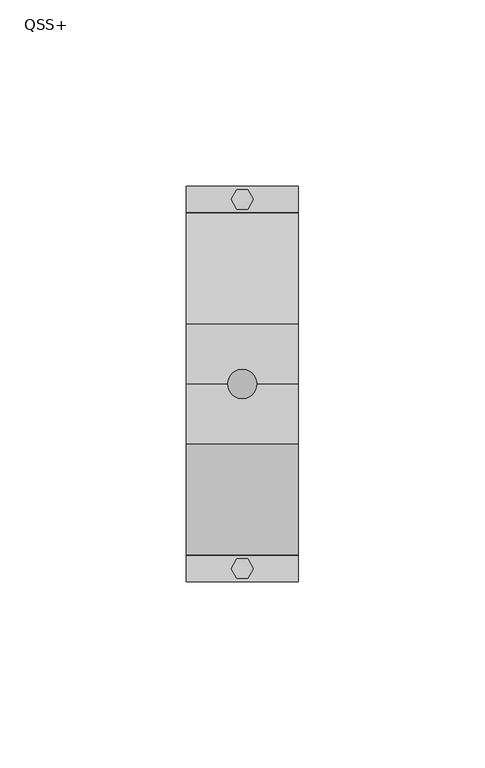
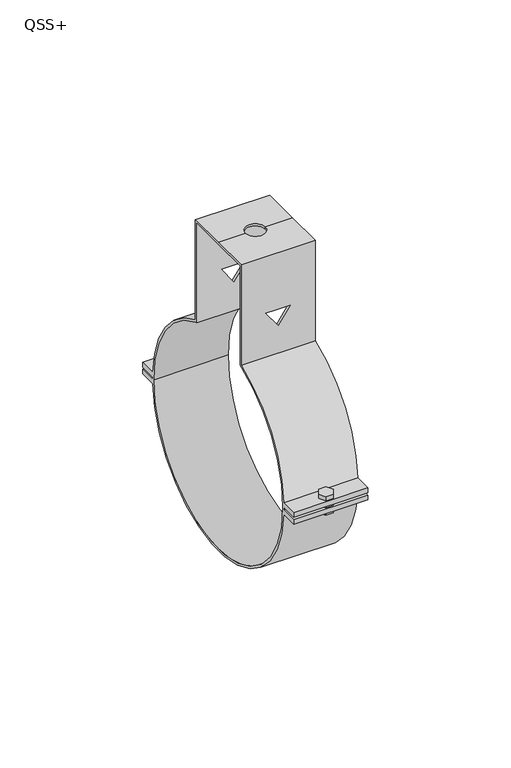
"""IFC4 building model written with IfcOpenShell, lengths in millimetres: proxy geometry, QSS+."""

from ifc_helpers import new_model, si_unit, frame, origin, place, context, project, spatial, polyline, circle_curve, outline, extrude, source, transform, mapped, element, save
from ifc_brep_helpers import plane_surface, cylinder_surface, revolved_surface, advanced_brep


def qss_73b808cd(model_context):
    return source(origin(), model_context, "Body", "SolidModel", [
        extrude(outline(polyline([(1.5, 52.0980762), (3.0, 49.5), (1.5, 46.9019238), (-1.5, 46.9019238), (-3.0, 49.5), (-1.5, 52.0980762), (1.5, 52.0980762)])), frame((0.0, 0.0, -4.0), z_axis=(0.0, 0.0, 1.0), x_axis=(1.0, 0.0, 0.0)), (0.0, 0.0, 1.0), 8.0),
        extrude(outline(polyline([(1.5, -52.0980762), (-1.5, -52.0980762), (-3.0, -49.5), (-1.5, -46.9019238), (1.5, -46.9019238), (3.0, -49.5), (1.5, -52.0980762)])), frame((0.0, 0.0, -4.0), z_axis=(0.0, 0.0, 1.0), x_axis=(1.0, 0.0, 0.0)), (0.0, 0.0, 1.0), 8.0),
        advanced_brep(
        [(-15.0, -16.0, 86.0), (-15.0, 0.0, 86.0), (-15.0, 16.0, 86.0), (-15.0, 16.0, 43.1277173), (-15.0, 45.9338138, 2.4667277), (-15.0, 53.0, 2.4667277), (-15.0, 53.0, 0.4667277), (-15.0, 45.9976322, 0.4667277), (-15.0, 46.0, 0.0), (-15.0, 45.9976322, -0.4667277), (-15.0, 53.0, -0.4667277), (-15.0, 53.0, -2.4667277), (-15.0, 45.9338138, -2.4667277), (-15.0, -45.9317678, -2.5045372), (-15.0, -53.0, -2.5045372), (-15.0, -53.0, -0.5045372), (-15.0, -45.997233, -0.5045372), (-15.0, -46.0, 0.0), (-15.0, -45.997233, 0.5045372), (-15.0, -53.0, 0.5045372), (-15.0, -53.0, 2.5045372), (-15.0, -45.9317678, 2.5045372), (-15.0, -16.0, 43.1277173), (-15.0, 14.9730976, 85.0081289), (-15.0, 0.0, 85.0081289), (-15.0, -14.9730976, 85.0081289), (-15.0, -14.9730976, 42.4359087), (-15.0, -16.0, 42.0594817), (-15.0, -45.0, 0.0), (-15.0, 45.0, 0.0), (-15.0, 16.0, 42.0594817), (-15.0, 14.9730976, 42.4359087), (15.0, 16.0, 86.0), (15.0, 0.0, 86.0), (15.0, -16.0, 86.0), (15.0, -16.0, 43.1277173), (15.0, -45.9317678, 2.5045372), (15.0, -53.0, 2.5045372), (15.0, -53.0, 0.5045372), (15.0, -45.997233, 0.5045372), (15.0, -46.0, 0.0), (15.0, -45.997233, -0.5045372), (15.0, -53.0, -0.5045372), (15.0, -53.0, -2.5045372), (15.0, -45.9317678, -2.5045372), (15.0, 45.9338138, -2.4667277), (15.0, 53.0, -2.4667277), (15.0, 53.0, -0.4667277), (15.0, 45.9976322, -0.4667277), (15.0, 46.0, 0.0), (15.0, 45.9976322, 0.4667277), (15.0, 53.0, 0.4667277), (15.0, 53.0, 2.4667277), (15.0, 45.9338138, 2.4667277), (15.0, 16.0, 43.1277173), (15.0, -14.9730976, 85.0081289), (15.0, 0.0, 85.0081289), (15.0, 14.9730976, 85.0081289), (15.0, 14.9730976, 42.4359087), (15.0, 16.0, 42.0594817), (15.0, 45.0, 0.0), (15.0, -45.0, 0.0), (15.0, -16.0, 42.0594817), (15.0, -14.9730976, 42.4359087), (-4.0, 0.0, 86.0), (4.0, 0.0, 86.0), (0.0, -16.0, 61.8826485), (4.9139468, -16.0, 61.8826485), (0.0, -16.0, 54.8648052), (-4.9139468, -16.0, 61.8826485), (4.9139468, -14.9730976, 61.8826485), (0.0, -14.9730976, 61.8826485), (-4.9139468, -14.9730976, 61.8826485), (0.0, -14.9730976, 54.8648052), (-4.0, 0.0, 85.0081289), (4.0, 0.0, 85.0081289), (0.0, 14.9730976, 61.8826485), (4.9139468, 14.9730976, 61.8826485), (0.0, 14.9730976, 54.8648052), (-4.9139468, 14.9730976, 61.8826485), (4.9139468, 16.0, 61.8826485), (0.0, 16.0, 61.8826485), (-4.9139468, 16.0, 61.8826485), (0.0, 16.0, 54.8648052)],
        [
            (0, 1),
            (1, 2),
            (2, 3),
            (3, 4, circle_curve(frame((-15.0, 0.0, 0.0), z_axis=(-1.0, 0.0, 0.0), x_axis=(0.0, 1.0, 0.0)), 46.0)),
            (4, 5),
            (5, 6),
            (6, 7),
            (7, 8, circle_curve(frame((-15.0, 0.0, 0.0), z_axis=(-1.0, 0.0, 0.0), x_axis=(0.0, 1.0, 0.0)), 46.0)),
            (8, 9, circle_curve(frame((-15.0, 0.0, 0.0), z_axis=(-1.0, 0.0, 0.0), x_axis=(0.0, 1.0, 0.0)), 46.0)),
            (9, 10),
            (10, 11),
            (11, 12),
            (12, 13, circle_curve(frame((-15.0, 0.0, 0.0), z_axis=(-1.0, 0.0, 0.0), x_axis=(0.0, 1.0, 0.0)), 46.0)),
            (13, 14),
            (14, 15),
            (15, 16),
            (16, 17, circle_curve(frame((-15.0, 0.0, 0.0), z_axis=(-1.0, 0.0, 0.0), x_axis=(0.0, 1.0, 0.0)), 46.0)),
            (17, 18, circle_curve(frame((-15.0, 0.0, 0.0), z_axis=(-1.0, 0.0, 0.0), x_axis=(0.0, 1.0, 0.0)), 46.0)),
            (18, 19),
            (19, 20),
            (20, 21),
            (21, 22, circle_curve(frame((-15.0, 0.0, 0.0), z_axis=(-1.0, 0.0, 0.0), x_axis=(0.0, 1.0, 0.0)), 46.0)),
            (22, 0),
            (23, 24),
            (24, 25),
            (25, 26),
            (26, 27, circle_curve(frame((-15.0, 0.0, 0.0), z_axis=(1.0, 0.0, 0.0), x_axis=(0.0, 1.0, 0.0)), 45.0)),
            (27, 28, circle_curve(frame((-15.0, 0.0, 0.0), z_axis=(1.0, 0.0, 0.0), x_axis=(0.0, 1.0, 0.0)), 45.0)),
            (28, 29, circle_curve(frame((-15.0, 0.0, 0.0), z_axis=(1.0, 0.0, 0.0), x_axis=(0.0, 1.0, 0.0)), 45.0)),
            (29, 30, circle_curve(frame((-15.0, 0.0, 0.0), z_axis=(1.0, 0.0, 0.0), x_axis=(0.0, 1.0, 0.0)), 45.0)),
            (30, 31, circle_curve(frame((-15.0, 0.0, 0.0), z_axis=(1.0, 0.0, 0.0), x_axis=(0.0, 1.0, 0.0)), 45.0)),
            (31, 23),
            (32, 33),
            (33, 34),
            (34, 35),
            (35, 36, circle_curve(frame((15.0, 0.0, 0.0), z_axis=(1.0, 0.0, 0.0), x_axis=(0.0, 1.0, 0.0)), 46.0)),
            (36, 37),
            (37, 38),
            (38, 39),
            (39, 40, circle_curve(frame((15.0, 0.0, 0.0), z_axis=(1.0, 0.0, 0.0), x_axis=(0.0, 1.0, 0.0)), 46.0)),
            (40, 41, circle_curve(frame((15.0, 0.0, 0.0), z_axis=(1.0, 0.0, 0.0), x_axis=(0.0, 1.0, 0.0)), 46.0)),
            (41, 42),
            (42, 43),
            (43, 44),
            (44, 45, circle_curve(frame((15.0, 0.0, 0.0), z_axis=(1.0, 0.0, 0.0), x_axis=(0.0, 1.0, 0.0)), 46.0)),
            (45, 46),
            (46, 47),
            (47, 48),
            (48, 49, circle_curve(frame((15.0, 0.0, 0.0), z_axis=(1.0, 0.0, 0.0), x_axis=(0.0, 1.0, 0.0)), 46.0)),
            (49, 50, circle_curve(frame((15.0, 0.0, 0.0), z_axis=(1.0, 0.0, 0.0), x_axis=(0.0, 1.0, 0.0)), 46.0)),
            (50, 51),
            (51, 52),
            (52, 53),
            (53, 54, circle_curve(frame((15.0, 0.0, 0.0), z_axis=(1.0, 0.0, 0.0), x_axis=(0.0, 1.0, 0.0)), 46.0)),
            (54, 32),
            (55, 56),
            (56, 57),
            (57, 58),
            (58, 59, circle_curve(frame((15.0, 0.0, 0.0), z_axis=(-1.0, 0.0, 0.0), x_axis=(0.0, 1.0, 0.0)), 45.0)),
            (59, 60, circle_curve(frame((15.0, 0.0, 0.0), z_axis=(-1.0, 0.0, 0.0), x_axis=(0.0, 1.0, 0.0)), 45.0)),
            (60, 61, circle_curve(frame((15.0, 0.0, 0.0), z_axis=(-1.0, 0.0, 0.0), x_axis=(0.0, 1.0, 0.0)), 45.0)),
            (61, 62, circle_curve(frame((15.0, 0.0, 0.0), z_axis=(-1.0, 0.0, 0.0), x_axis=(0.0, 1.0, 0.0)), 45.0)),
            (62, 63, circle_curve(frame((15.0, 0.0, 0.0), z_axis=(-1.0, 0.0, 0.0), x_axis=(0.0, 1.0, 0.0)), 45.0)),
            (63, 55),
            (1, 64),
            (64, 65, circle_curve(frame((0.0, 0.0, 86.0), z_axis=(0.0, 0.0, -1.0), x_axis=(1.0, 0.0, 0.0)), 4.0)),
            (65, 33),
            (32, 2),
            (0, 34),
            (65, 64, circle_curve(frame((0.0, 0.0, 86.0), z_axis=(0.0, 0.0, -1.0), x_axis=(1.0, 0.0, 0.0)), 4.0)),
            (22, 35),
            (66, 67),
            (67, 68),
            (68, 69),
            (69, 66),
            (25, 55),
            (63, 26),
            (70, 71),
            (71, 72),
            (72, 73),
            (73, 70),
            (24, 74),
            (74, 75, circle_curve(frame((0.0, 0.0, 85.0081289), z_axis=(0.0, 0.0, 1.0), x_axis=(1.0, 0.0, 0.0)), 4.0)),
            (75, 56),
            (23, 57),
            (75, 74, circle_curve(frame((0.0, 0.0, 85.0081289), z_axis=(0.0, 0.0, 1.0), x_axis=(1.0, 0.0, 0.0)), 4.0)),
            (31, 58),
            (76, 77),
            (77, 78),
            (78, 79),
            (79, 76),
            (54, 3),
            (80, 81),
            (81, 82),
            (82, 83),
            (83, 80),
            (61, 28),
            (27, 62),
            (29, 60),
            (59, 30),
            (40, 17),
            (16, 41),
            (8, 49),
            (48, 9),
            (12, 45),
            (44, 13),
            (21, 36),
            (53, 4),
            (39, 18),
            (7, 50),
            (6, 51),
            (5, 52),
            (11, 46),
            (10, 47),
            (38, 19),
            (37, 20),
            (43, 14),
            (42, 15),
            (70, 67),
            (66, 71),
            (80, 77),
            (76, 81),
            (69, 72),
            (79, 82),
            (68, 73),
            (78, 83),
            (65, 75),
            (74, 64),
        ],
        [
            plane_surface(frame((-15.0, 16.0, 86.0), z_axis=(-1.0, 0.0, 0.0), x_axis=(0.0, 1.0, 0.0))),
            plane_surface(frame((15.0, 16.0, 86.0), z_axis=(1.0, 0.0, 0.0), x_axis=(0.0, -1.0, 0.0))),
            plane_surface(frame((15.0, 16.0, 86.0), z_axis=(0.0, 0.0, 1.0), x_axis=(-1.0, 0.0, 0.0))),
            plane_surface(frame((15.0, 0.0, 86.0), z_axis=(0.0, 0.0, 1.0), x_axis=(-1.0, 0.0, 0.0))),
            plane_surface(frame((15.0, -16.0, 86.0), z_axis=(0.0, -1.0, 0.0), x_axis=(-1.0, 0.0, 0.0))),
            plane_surface(frame((15.0, -14.9730976, 0.0), z_axis=(0.0, 1.0, 0.0), x_axis=(-1.0, 0.0, 0.0))),
            plane_surface(frame((15.0, -14.9730976, 85.0081289), z_axis=(0.0, 0.0, -1.0), x_axis=(-1.0, 0.0, 0.0))),
            plane_surface(frame((15.0, 0.0, 85.0081289), z_axis=(0.0, 0.0, -1.0), x_axis=(-1.0, 0.0, 0.0))),
            plane_surface(frame((15.0, 14.9730976, 85.0081289), z_axis=(0.0, -1.0, 0.0), x_axis=(-1.0, 0.0, 0.0))),
            plane_surface(frame((15.0, 16.0, 0.0), z_axis=(0.0, 1.0, 0.0), x_axis=(-1.0, 0.0, 0.0))),
            revolved_surface(polyline([(-15.0, 45.0, 0.0), (15.0, 45.0, 0.0)]), (-15.0, 0.0, 0.0), (-1.0, 0.0, 0.0)),
            cylinder_surface(frame((0.0, 0.0, 0.0), z_axis=(1.0, 0.0, 0.0), x_axis=(0.0, 1.0, 0.0)), 46.0),
            revolved_surface(polyline([(15.0, 45.0, 0.0), (-15.0, 45.0, 0.0)]), (-15.0, 0.0, 0.0), (1.0, 0.0, 0.0)),
            plane_surface(frame((15.0, 45.2591075, 0.4667277), z_axis=(0.0, 0.0, -1.0), x_axis=(-1.0, 0.0, 0.0))),
            plane_surface(frame((15.0, 53.0, 0.4667277), z_axis=(0.0, 1.0, 0.0), x_axis=(-1.0, 0.0, 0.0))),
            plane_surface(frame((15.0, 53.0, 2.4667277), z_axis=(0.0, 0.0, 1.0), x_axis=(-1.0, 0.0, 0.0))),
            plane_surface(frame((15.0, 45.2591075, -2.4667277), z_axis=(0.0, 0.0, -1.0), x_axis=(-1.0, 0.0, 0.0))),
            plane_surface(frame((15.0, 53.0, -2.4667277), z_axis=(0.0, 1.0, 0.0), x_axis=(-1.0, 0.0, 0.0))),
            plane_surface(frame((15.0, 53.0, -0.4667277), z_axis=(0.0, 0.0, 1.0), x_axis=(-1.0, 0.0, 0.0))),
            plane_surface(frame((15.0, -53.0, 0.5045372), z_axis=(0.0, 0.0, -1.0), x_axis=(-1.0, 0.0, 0.0))),
            plane_surface(frame((15.0, -53.0, 2.5045372), z_axis=(0.0, -1.0, 0.0), x_axis=(-1.0, 0.0, 0.0))),
            plane_surface(frame((15.0, -45.2591075, 2.5045372), z_axis=(0.0, 0.0, 1.0), x_axis=(-1.0, 0.0, 0.0))),
            plane_surface(frame((15.0, -53.0, -2.5045372), z_axis=(0.0, 0.0, -1.0), x_axis=(-1.0, 0.0, 0.0))),
            plane_surface(frame((15.0, -53.0, -0.5045372), z_axis=(0.0, -1.0, 0.0), x_axis=(-1.0, 0.0, 0.0))),
            plane_surface(frame((15.0, -45.2591075, -0.5045372), z_axis=(0.0, 0.0, 1.0), x_axis=(-1.0, 0.0, 0.0))),
            plane_surface(frame((4.9139468, -23.1577597, 61.8826485), z_axis=(0.0, 0.0, -1.0), x_axis=(0.0, 1.0, 0.0))),
            plane_surface(frame((0.0, -23.1577597, 61.8826485), z_axis=(0.0, 0.0, -1.0), x_axis=(0.0, 1.0, 0.0))),
            plane_surface(frame((-4.9139468, -23.1577597, 61.8826485), z_axis=(0.8191520442889921, 0.0, 0.5735764363510457), x_axis=(0.0, 1.0, 0.0))),
            plane_surface(frame((0.0, -23.1577597, 54.8648052), z_axis=(-0.8191520442889922, 0.0, 0.5735764363510454), x_axis=(0.0, 1.0, 0.0))),
            revolved_surface(polyline([(4.0, 0.0, 86.0), (4.0, 0.0, 85.0081289)]), (0.0, 0.0, 85.0081289), (0.0, 0.0, 1.0)),
        ],
        [
            (0, [[1, 2, 3, 4, 5, 6, 7, 8, 9, 10, 11, 12, 13, 14, 15, 16, 17, 18, 19, 20, 21, 22, 23], [24, 25, 26, 27, 28, 29, 30, 31, 32]]),
            (1, [[33, 34, 35, 36, 37, 38, 39, 40, 41, 42, 43, 44, 45, 46, 47, 48, 49, 50, 51, 52, 53, 54, 55], [56, 57, 58, 59, 60, 61, 62, 63, 64]]),
            (2, [[-2, 65, 66, 67, -33, 68]]),
            (3, [[-1, 69, -34, -67, 70, -65]]),
            (4, [[-69, -23, 71, -35], [72, 73, 74, 75]]),
            (5, [[76, -64, 77, -26], [78, 79, 80, 81]]),
            (6, [[-25, 82, 83, 84, -56, -76]]),
            (7, [[-24, 85, -57, -84, 86, -82]]),
            (8, [[-85, -32, 87, -58], [88, 89, 90, 91]]),
            (9, [[-68, -55, 92, -3], [93, 94, 95, 96]]),
            (10, [[97, -28, 98, -62]]),
            (10, [[99, -60, 100, -30]]),
            (10, [[-29, -97, -61, -99]]),
            (11, [[101, -17, 102, -41]]),
            (11, [[103, -49, 104, -9]]),
            (11, [[105, -45, 106, -13]]),
            (11, [[-71, -22, 107, -36]]),
            (11, [[-92, -54, 108, -4]]),
            (11, [[-101, -40, 109, -18]]),
            (11, [[-103, -8, 110, -50]]),
            (12, [[-27, -77, -63, -98]]),
            (12, [[-31, -100, -59, -87]]),
            (13, [[111, -51, -110, -7]]),
            (14, [[-52, -111, -6, 112]]),
            (15, [[-112, -5, -108, -53]]),
            (16, [[113, -46, -105, -12]]),
            (17, [[-47, -113, -11, 114]]),
            (18, [[-114, -10, -104, -48]]),
            (19, [[115, -19, -109, -39]]),
            (20, [[-38, 116, -20, -115]]),
            (21, [[-116, -37, -107, -21]]),
            (22, [[117, -14, -106, -44]]),
            (23, [[-43, 118, -15, -117]]),
            (24, [[-118, -42, -102, -16]]),
            (25, [[119, -72, 120, -78]]),
            (25, [[121, -88, 122, -93]]),
            (26, [[-120, -75, 123, -79]]),
            (26, [[-122, -91, 124, -94]]),
            (27, [[-123, -74, 125, -80]]),
            (27, [[-124, -90, 126, -95]]),
            (28, [[-119, -81, -125, -73]]),
            (28, [[-121, -96, -126, -89]]),
            (29, [[127, -83, 128, -70]]),
            (29, [[-127, -66, -128, -86]]),
        ],
    ),
    ])


if __name__ == "__main__":
    model = new_model("IFC4")
    model_context = context("Model", 3, world=origin())
    ifc_project = project(units=[si_unit("LENGTHUNIT", "METRE", prefix="MILLI")], contexts=[model_context])
    site = spatial("IfcSite", under=ifc_project)
    building = spatial("IfcBuilding", under=site)
    placement = place(None, origin())
    qss_shape = qss_73b808cd(model_context)
    element("IfcBuildingElementProxy", 1, Name="QSS+", ObjectType="QSS+", at=placement, inside=building, context=model_context, shape_type="MappedRepresentation", body=[
        mapped(qss_shape, transform((0.0, 0.0, 0.0), x_axis=(1.0, 0.0, 0.0), y_axis=(0.0, 1.0, 0.0), z_axis=(0.0, 0.0, 1.0))),
    ])
    save(model, "model.ifc")
